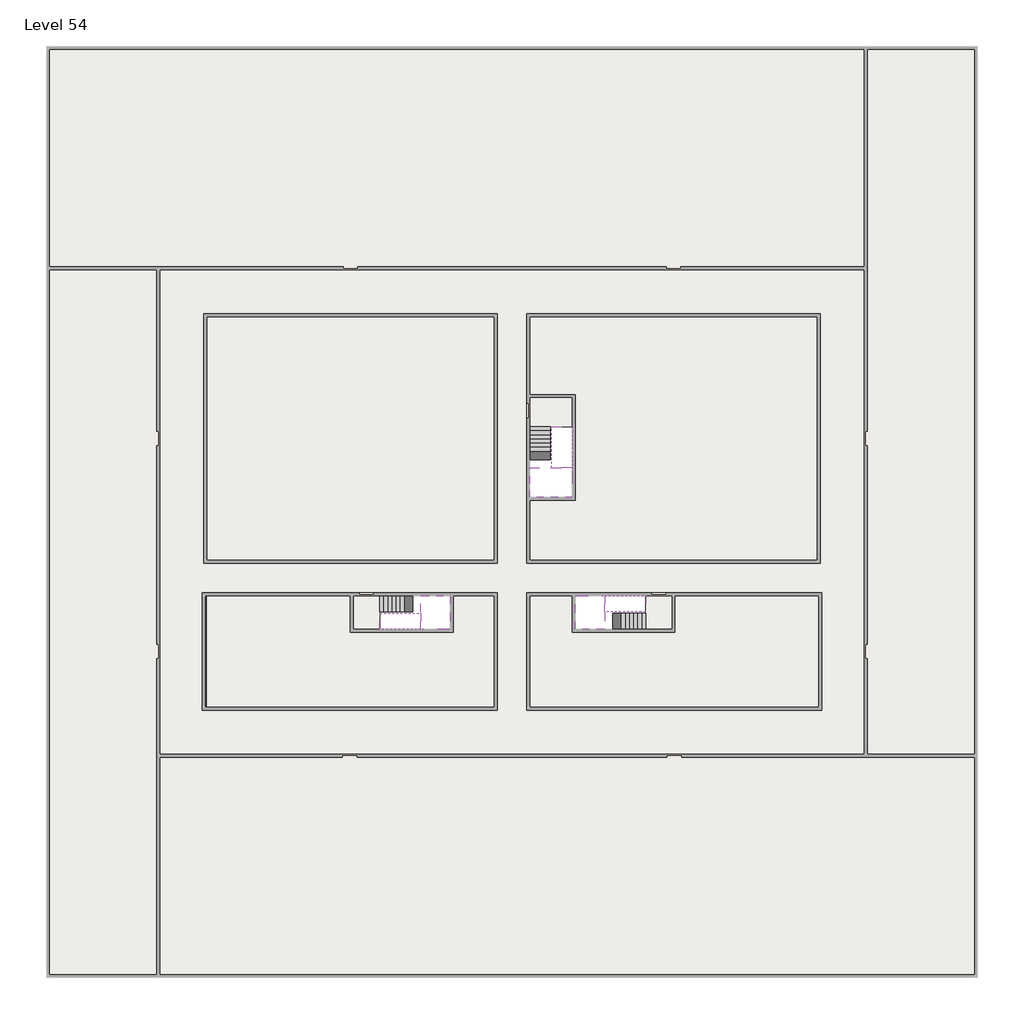
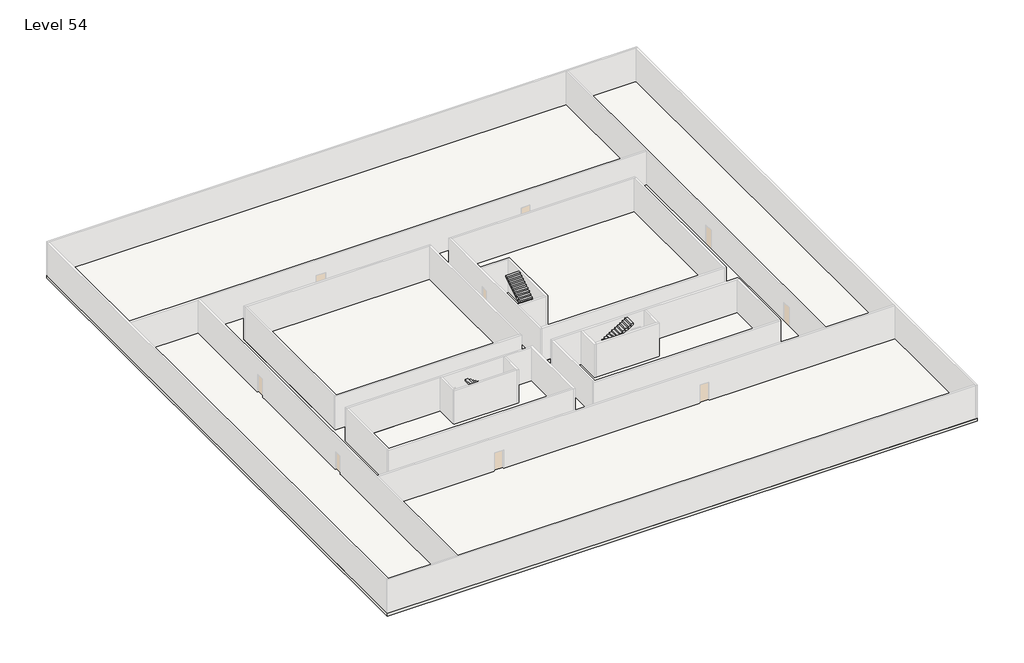
# One storey, part 2 of 2: 6 slabs, 6 stair flights.
"""IFC4 building model written with IfcOpenShell, lengths in millimetres."""

from ifc_helpers import new_model, si_unit, frame, origin, place, context, project, spatial, polyline, outline, extrude, faceted_brep, element, save

model = new_model("IFC4")

# Units and contexts
model_context = context("Model", 3, world=origin())
ifc_project = project(units=[si_unit("LENGTHUNIT", "METRE", prefix="MILLI")], contexts=[model_context])

# Site, building, storey
site = spatial("IfcSite", under=ifc_project)
building = spatial("IfcBuilding", under=site)
storey = spatial("IfcBuildingStorey", under=building, Name="Level 54", Elevation=201400.0)

# Slabs
placement = place(None, origin())
element("IfcSlab", 1, at=placement, inside=storey, context=model_context, shape_type="SweptSolid", body=[
    extrude(outline(polyline([(55890.1058784, -5518.09644), (55890.1058784, -68918.09644), (-7509.8941216, -68918.09644), (-7509.8941216, -5518.09644), (55890.1058784, -5518.09644)]), holes=[polyline([(23190.1058784, -23718.09644), (3190.1058784, -23718.09644), (3190.1058784, -40718.09644), (23190.1058784, -40718.09644), (23190.1058784, -23718.09644)]), polyline([(45190.1058784, -23718.09644), (25190.1058784, -23718.09644), (25190.1058784, -40718.09644), (45190.1058784, -40718.09644), (45190.1058784, -23718.09644)]), polyline([(23190.1058784, -50718.09644), (23190.1058784, -42718.09644), (3390.1058784, -42718.09644), (3390.1058784, -50718.09644), (23190.1058784, -50718.09644)]), polyline([(25190.1058784, -50718.09644), (45190.1058784, -50718.09644), (45190.1058784, -42718.09644), (25190.1058784, -42718.09644), (25190.1058784, -50718.09644)])]), frame((0.0, 0.0, 201100.0), z_axis=(0.0, 0.0, 1.0), x_axis=(1.0, 0.0, 0.0)), (0.0, 0.0, 1.0), 300.0),
])
element("IfcSlab", 2, at=placement, inside=storey, context=model_context, shape_type="Brep", body=[
    faceted_brep([(26790.1058784, -34218.09644, 203300.0), (25390.1058784, -34218.09644, 203300.0), (25390.1058784, -34297.4828763, 203300.0), (25390.1058784, -36218.09644, 203300.0), (28290.1058784, -36218.09644, 203300.0), (28290.1058784, -34418.7100038, 203300.0), (28290.1058784, -34218.09644, 203300.0), (26890.1058784, -34218.09644, 203300.0), (26790.1058784, -34218.09644, 203000.0), (26790.1058784, -34218.09644, 202951.0278478), (25390.1058784, -34218.09644, 202951.0278478), (25390.1058784, -34218.09644, 203127.2727273), (25390.1058784, -34297.4828763, 203000.0), (25390.1058784, -36218.09644, 203000.0), (28290.1058784, -36218.09644, 203000.0), (28290.1058784, -34418.7100038, 203000.0), (28290.1058784, -34218.09644, 203123.7551205), (26890.1058784, -34218.09644, 203123.7551205), (26890.1058784, -34218.09644, 203000.0), (26890.1058784, -34418.7100038, 203000.0), (26790.1058784, -34297.4828763, 203000.0)], [[[0, 1, 2, 3, 4, 5, 6, 7]], [[1, 0, 8, 9, 10, 11]], [[1, 11, 10, 12, 13, 3, 2]], [[4, 3, 13, 14]], [[4, 14, 15, 16, 6, 5]], [[7, 6, 16, 17]], [[0, 7, 17, 18, 8]], [[18, 19, 15, 14, 13, 12, 20, 8]], [[19, 18, 17]], [[20, 12, 10, 9]], [[8, 20, 9]], [[15, 19, 17, 16]]]),
])
element("IfcSlab", 3, at=placement, inside=storey, context=model_context, shape_type="SweptSolid", body=[
    extrude(outline(polyline([(22990.1058784, -23918.09644), (22990.1058784, -40518.09644), (3390.1058784, -40518.09644), (3390.1058784, -23918.09644), (22990.1058784, -23918.09644)])), frame((0.0, 0.0, 201100.0), z_axis=(0.0, 0.0, 1.0), x_axis=(1.0, 0.0, 0.0)), (0.0, 0.0, 1.0), 300.0),
    extrude(outline(polyline([(44990.1058784, -23918.09644), (44990.1058784, -40518.09644), (25390.1058784, -40518.09644), (25390.1058784, -36418.09644), (28490.1058784, -36418.09644), (28490.1058784, -29218.09644), (25390.1058784, -29218.09644), (25390.1058784, -23918.09644), (44990.1058784, -23918.09644)])), frame((0.0, 0.0, 201100.0), z_axis=(0.0, 0.0, 1.0), x_axis=(1.0, 0.0, 0.0)), (0.0, 0.0, 1.0), 300.0),
    extrude(outline(polyline([(22990.1058784, -42918.09644), (22990.1058784, -50518.09644), (3390.1058784, -50518.09644), (3390.1058784, -42918.09644), (13190.1058784, -42918.09644), (13190.1058784, -45418.09644), (20190.1058784, -45418.09644), (20190.1058784, -42918.09644), (22990.1058784, -42918.09644)])), frame((0.0, 0.0, 201100.0), z_axis=(0.0, 0.0, 1.0), x_axis=(1.0, 0.0, 0.0)), (0.0, 0.0, 1.0), 300.0),
    extrude(outline(polyline([(28290.1058784, -42918.09644), (28290.1058784, -45418.09644), (35290.1058784, -45418.09644), (35290.1058784, -42918.09644), (45090.1058784, -42918.09644), (45090.1058784, -50518.09644), (25390.1058784, -50518.09644), (25390.1058784, -42918.09644), (28290.1058784, -42918.09644)])), frame((0.0, 0.0, 201100.0), z_axis=(0.0, 0.0, 1.0), x_axis=(1.0, 0.0, 0.0)), (0.0, 0.0, 1.0), 300.0),
])
element("IfcSlab", 4, at=placement, inside=storey, context=model_context, shape_type="Brep", body=[
    faceted_brep([(30490.1058784, -45218.09644, 203300.0), (30490.1058784, -44118.09644, 203300.0), (30490.1058784, -44018.09644, 203300.0), (30490.1058784, -42918.09644, 203300.0), (30289.4923146, -42918.09644, 203300.0), (28490.1058784, -42918.09644, 203300.0), (28490.1058784, -45218.09644, 203300.0), (30410.7194421, -45218.09644, 203300.0), (30490.1058784, -45218.09644, 203127.2727273), (30490.1058784, -45218.09644, 202951.0278478), (30490.1058784, -44118.09644, 202951.0278478), (30490.1058784, -44118.09644, 203000.0), (30490.1058784, -44018.09644, 203000.0), (30490.1058784, -44018.09644, 203123.7551205), (30490.1058784, -42918.09644, 203123.7551205), (30289.4923146, -42918.09644, 203000.0), (28490.1058784, -42918.09644, 203000.0), (28490.1058784, -45218.09644, 203000.0), (30410.7194421, -45218.09644, 203000.0), (30289.4923146, -44018.09644, 203000.0), (30410.7194421, -44118.09644, 203000.0)], [[[0, 1, 2, 3, 4, 5, 6, 7]], [[1, 0, 8, 9, 10, 11]], [[2, 1, 11, 12, 13]], [[3, 2, 13, 14]], [[3, 14, 15, 16, 5, 4]], [[6, 5, 16, 17]], [[9, 8, 0, 7, 6, 17, 18]], [[19, 12, 11, 20, 18, 17, 16, 15]], [[12, 19, 13]], [[18, 20, 10, 9]], [[20, 11, 10]], [[19, 15, 14, 13]]]),
])
element("IfcSlab", 5, at=placement, inside=storey, context=model_context, shape_type="Brep", body=[
    faceted_brep([(17990.1058784, -42918.09644, 203300.0), (17990.1058784, -44018.09644, 203300.0), (17990.1058784, -44118.09644, 203300.0), (17990.1058784, -45218.09644, 203300.0), (18190.7194421, -45218.09644, 203300.0), (19990.1058784, -45218.09644, 203300.0), (19990.1058784, -42918.09644, 203300.0), (18069.4923146, -42918.09644, 203300.0), (17990.1058784, -42918.09644, 203127.2727273), (17990.1058784, -42918.09644, 202951.0278478), (17990.1058784, -44018.09644, 202951.0278478), (17990.1058784, -44018.09644, 203000.0), (17990.1058784, -44118.09644, 203000.0), (17990.1058784, -44118.09644, 203123.7551205), (17990.1058784, -45218.09644, 203123.7551205), (18190.7194421, -45218.09644, 203000.0), (19990.1058784, -45218.09644, 203000.0), (19990.1058784, -42918.09644, 203000.0), (18069.4923146, -42918.09644, 203000.0), (18190.7194421, -44118.09644, 203000.0), (18069.4923146, -44018.09644, 203000.0)], [[[0, 1, 2, 3, 4, 5, 6, 7]], [[1, 0, 8, 9, 10, 11]], [[2, 1, 11, 12, 13]], [[3, 2, 13, 14]], [[3, 14, 15, 16, 5, 4]], [[6, 5, 16, 17]], [[9, 8, 0, 7, 6, 17, 18]], [[19, 12, 11, 20, 18, 17, 16, 15]], [[12, 19, 13]], [[18, 20, 10, 9]], [[20, 11, 10]], [[19, 15, 14, 13]]]),
])
element("IfcSlab", 6, at=placement, inside=storey, context=model_context, shape_type="SweptSolid", body=[
    extrude(outline(polyline([(25190.1058784, -29418.09644), (28290.1058784, -29418.09644), (28290.1058784, -31418.09644), (25190.1058784, -31418.09644), (25190.1058784, -29418.09644)])), frame((0.0, 0.0, 201100.0), z_axis=(0.0, 0.0, 1.0), x_axis=(1.0, 0.0, 0.0)), (0.0, 0.0, 1.0), 300.0),
    extrude(outline(polyline([(15190.1058784, -45218.09644), (13390.1058784, -45218.09644), (13390.1058784, -42718.09644), (15190.1058784, -42718.09644), (15190.1058784, -45218.09644)])), frame((0.0, 0.0, 201100.0), z_axis=(0.0, 0.0, 1.0), x_axis=(1.0, 0.0, 0.0)), (0.0, 0.0, 1.0), 300.0),
    extrude(outline(polyline([(35090.1058784, -45218.09644), (33290.1058784, -45218.09644), (33290.1058784, -42718.09644), (35090.1058784, -42718.09644), (35090.1058784, -45218.09644)])), frame((0.0, 0.0, 201100.0), z_axis=(0.0, 0.0, 1.0), x_axis=(1.0, 0.0, 0.0)), (0.0, 0.0, 1.0), 300.0),
])

# Stair flights
element("IfcStairFlight", 7, at=placement, inside=storey, context=model_context, shape_type="Brep", body=[
    faceted_brep([(26790.1058784, -31698.09644, 201572.7272727), (26790.1058784, -31418.09644, 201572.7272727), (25390.1058784, -31418.09644, 201572.7272727), (25390.1058784, -31698.09644, 201572.7272727), (26790.1058784, -31698.09644, 201400.0), (26790.1058784, -31418.09644, 201400.0), (25390.1058784, -31418.09644, 201400.0), (25390.1058784, -31698.09644, 201400.0), (26790.1058784, -31978.09644, 201745.4545455), (26790.1058784, -31698.09644, 201745.4545455), (25390.1058784, -31698.09644, 201745.4545455), (25390.1058784, -31978.09644, 201745.4545455), (26790.1058784, -31978.09644, 201569.209666), (26790.1058784, -31703.7986657, 201400.0), (25390.1058784, -31703.7986657, 201400.0), (25390.1058784, -31978.09644, 201569.209666), (26790.1058784, -32258.09644, 201918.1818182), (26790.1058784, -31978.09644, 201918.1818182), (25390.1058784, -31978.09644, 201918.1818182), (25390.1058784, -32258.09644, 201918.1818182), (26790.1058784, -32258.09644, 201741.9369387), (25390.1058784, -32258.09644, 201741.9369387), (26790.1058784, -32538.09644, 202090.9090909), (26790.1058784, -32258.09644, 202090.9090909), (25390.1058784, -32258.09644, 202090.9090909), (25390.1058784, -32538.09644, 202090.9090909), (26790.1058784, -32538.09644, 201914.6642114), (25390.1058784, -32538.09644, 201914.6642114), (26790.1058784, -32818.09644, 202263.6363636), (26790.1058784, -32538.09644, 202263.6363636), (25390.1058784, -32538.09644, 202263.6363636), (25390.1058784, -32818.09644, 202263.6363636), (26790.1058784, -32818.09644, 202087.3914841), (25390.1058784, -32818.09644, 202087.3914841), (26790.1058784, -33098.09644, 202436.3636364), (26790.1058784, -32818.09644, 202436.3636364), (25390.1058784, -32818.09644, 202436.3636364), (25390.1058784, -33098.09644, 202436.3636364), (26790.1058784, -33098.09644, 202260.1187569), (25390.1058784, -33098.09644, 202260.1187569), (26790.1058784, -33378.09644, 202609.0909091), (26790.1058784, -33098.09644, 202609.0909091), (25390.1058784, -33098.09644, 202609.0909091), (25390.1058784, -33378.09644, 202609.0909091), (26790.1058784, -33378.09644, 202432.8460296), (25390.1058784, -33378.09644, 202432.8460296), (26790.1058784, -33658.09644, 202781.8181818), (26790.1058784, -33378.09644, 202781.8181818), (25390.1058784, -33378.09644, 202781.8181818), (25390.1058784, -33658.09644, 202781.8181818), (26790.1058784, -33658.09644, 202605.5733023), (25390.1058784, -33658.09644, 202605.5733023), (26790.1058784, -33938.09644, 202954.5454545), (26790.1058784, -33658.09644, 202954.5454545), (25390.1058784, -33658.09644, 202954.5454545), (25390.1058784, -33938.09644, 202954.5454545), (26790.1058784, -33938.09644, 202778.3005751), (25390.1058784, -33938.09644, 202778.3005751), (26790.1058784, -34218.09644, 203127.2727273), (26790.1058784, -33938.09644, 203127.2727273), (25390.1058784, -33938.09644, 203127.2727273), (25390.1058784, -34218.09644, 203127.2727273), (26790.1058784, -34218.09644, 203000.0), (26790.1058784, -34218.09644, 202951.0278478), (25390.1058784, -34218.09644, 202951.0278478)], [[[0, 1, 2, 3]], [[1, 0, 4, 5]], [[2, 1, 5, 6]], [[3, 2, 6, 7]], [[8, 9, 10, 11]], [[4, 0, 9, 8, 12, 13]], [[0, 3, 10, 9]], [[3, 7, 14, 15, 11, 10]], [[16, 17, 18, 19]], [[17, 16, 20, 12, 8]], [[8, 11, 18, 17]], [[19, 18, 11, 15, 21]], [[22, 23, 24, 25]], [[23, 22, 26, 20, 16]], [[16, 19, 24, 23]], [[25, 24, 19, 21, 27]], [[28, 29, 30, 31]], [[29, 28, 32, 26, 22]], [[22, 25, 30, 29]], [[31, 30, 25, 27, 33]], [[34, 35, 36, 37]], [[35, 34, 38, 32, 28]], [[28, 31, 36, 35]], [[37, 36, 31, 33, 39]], [[40, 41, 42, 43]], [[41, 40, 44, 38, 34]], [[34, 37, 42, 41]], [[43, 42, 37, 39, 45]], [[46, 47, 48, 49]], [[47, 46, 50, 44, 40]], [[40, 43, 48, 47]], [[49, 48, 43, 45, 51]], [[52, 53, 54, 55]], [[53, 52, 56, 50, 46]], [[46, 49, 54, 53]], [[55, 54, 49, 51, 57]], [[58, 59, 60, 61]], [[59, 58, 62, 63, 56, 52]], [[52, 55, 60, 59]], [[61, 60, 55, 57, 64]], [[58, 61, 64, 63, 62]], [[5, 4, 13, 14, 7, 6]], [[14, 13, 12, 20, 26, 32, 38, 44, 50, 56, 63, 64, 57, 51, 45, 39, 33, 27, 21, 15]]]),
])
element("IfcStairFlight", 8, at=placement, inside=storey, context=model_context, shape_type="Brep", body=[
    faceted_brep([(26890.1058784, -33938.09644, 203472.7272727), (26890.1058784, -34218.09644, 203472.7272727), (28290.1058784, -34218.09644, 203472.7272727), (28290.1058784, -33938.09644, 203472.7272727), (26890.1058784, -33938.09644, 203296.4823932), (26890.1058784, -34218.09644, 203123.7551205), (28290.1058784, -34218.09644, 203123.7551205), (28290.1058784, -34218.09644, 203300.0), (28290.1058784, -33938.09644, 203296.4823932), (26890.1058784, -33658.09644, 203645.4545455), (26890.1058784, -33938.09644, 203645.4545455), (28290.1058784, -33938.09644, 203645.4545455), (28290.1058784, -33658.09644, 203645.4545455), (26890.1058784, -33658.09644, 203469.209666), (28290.1058784, -33658.09644, 203469.209666), (26890.1058784, -33378.09644, 203818.1818182), (26890.1058784, -33658.09644, 203818.1818182), (28290.1058784, -33658.09644, 203818.1818182), (28290.1058784, -33378.09644, 203818.1818182), (26890.1058784, -33378.09644, 203641.9369387), (28290.1058784, -33378.09644, 203641.9369387), (26890.1058784, -33098.09644, 203990.9090909), (26890.1058784, -33378.09644, 203990.9090909), (28290.1058784, -33378.09644, 203990.9090909), (28290.1058784, -33098.09644, 203990.9090909), (26890.1058784, -33098.09644, 203814.6642114), (28290.1058784, -33098.09644, 203814.6642114), (26890.1058784, -32818.09644, 204163.6363636), (26890.1058784, -33098.09644, 204163.6363636), (28290.1058784, -33098.09644, 204163.6363636), (28290.1058784, -32818.09644, 204163.6363636), (26890.1058784, -32818.09644, 203987.3914841), (28290.1058784, -32818.09644, 203987.3914841), (26890.1058784, -32538.09644, 204336.3636364), (26890.1058784, -32818.09644, 204336.3636364), (28290.1058784, -32818.09644, 204336.3636364), (28290.1058784, -32538.09644, 204336.3636364), (26890.1058784, -32538.09644, 204160.1187569), (28290.1058784, -32538.09644, 204160.1187569), (26890.1058784, -32258.09644, 204509.0909091), (26890.1058784, -32538.09644, 204509.0909091), (28290.1058784, -32538.09644, 204509.0909091), (28290.1058784, -32258.09644, 204509.0909091), (26890.1058784, -32258.09644, 204332.8460296), (28290.1058784, -32258.09644, 204332.8460296), (26890.1058784, -31978.09644, 204681.8181818), (26890.1058784, -32258.09644, 204681.8181818), (28290.1058784, -32258.09644, 204681.8181818), (28290.1058784, -31978.09644, 204681.8181818), (26890.1058784, -31978.09644, 204505.5733023), (28290.1058784, -31978.09644, 204505.5733023), (26890.1058784, -31698.09644, 204854.5454545), (26890.1058784, -31978.09644, 204854.5454545), (28290.1058784, -31978.09644, 204854.5454545), (28290.1058784, -31698.09644, 204854.5454545), (26890.1058784, -31698.09644, 204678.3005751), (28290.1058784, -31698.09644, 204678.3005751), (26890.1058784, -31418.09644, 205027.2727273), (26890.1058784, -31698.09644, 205027.2727273), (28290.1058784, -31698.09644, 205027.2727273), (28290.1058784, -31418.09644, 205027.2727273), (26890.1058784, -31418.09644, 204851.0278478), (28290.1058784, -31418.09644, 204851.0278478)], [[[0, 1, 2, 3]], [[1, 0, 4, 5]], [[2, 1, 5, 6, 7]], [[3, 2, 7, 6, 8]], [[9, 10, 11, 12]], [[10, 9, 13, 4, 0]], [[11, 10, 0, 3]], [[12, 11, 3, 8, 14]], [[15, 16, 17, 18]], [[16, 15, 19, 13, 9]], [[17, 16, 9, 12]], [[18, 17, 12, 14, 20]], [[21, 22, 23, 24]], [[22, 21, 25, 19, 15]], [[23, 22, 15, 18]], [[24, 23, 18, 20, 26]], [[27, 28, 29, 30]], [[28, 27, 31, 25, 21]], [[29, 28, 21, 24]], [[30, 29, 24, 26, 32]], [[33, 34, 35, 36]], [[34, 33, 37, 31, 27]], [[35, 34, 27, 30]], [[36, 35, 30, 32, 38]], [[39, 40, 41, 42]], [[40, 39, 43, 37, 33]], [[41, 40, 33, 36]], [[42, 41, 36, 38, 44]], [[45, 46, 47, 48]], [[46, 45, 49, 43, 39]], [[47, 46, 39, 42]], [[48, 47, 42, 44, 50]], [[51, 52, 53, 54]], [[52, 51, 55, 49, 45]], [[53, 52, 45, 48]], [[54, 53, 48, 50, 56]], [[57, 58, 59, 60]], [[58, 57, 61, 55, 51]], [[59, 58, 51, 54]], [[60, 59, 54, 56, 62]], [[57, 60, 62, 61]], [[5, 4, 13, 19, 25, 31, 37, 43, 49, 55, 61, 62, 56, 50, 44, 38, 32, 26, 20, 14, 8, 6]]]),
])
element("IfcStairFlight", 9, at=placement, inside=storey, context=model_context, shape_type="Brep", body=[
    faceted_brep([(33010.1058784, -45218.09644, 201572.7272727), (33290.1058784, -45218.09644, 201572.7272727), (33290.1058784, -44118.09644, 201572.7272727), (33010.1058784, -44118.09644, 201572.7272727), (33010.1058784, -45218.09644, 201400.0), (33290.1058784, -45218.09644, 201400.0), (33290.1058784, -44118.09644, 201400.0), (33010.1058784, -44118.09644, 201400.0), (32730.1058784, -45218.09644, 201745.4545455), (33010.1058784, -45218.09644, 201745.4545455), (33010.1058784, -44118.09644, 201745.4545455), (32730.1058784, -44118.09644, 201745.4545455), (32730.1058784, -45218.09644, 201569.209666), (33004.4036527, -45218.09644, 201400.0), (33004.4036527, -44118.09644, 201400.0), (32730.1058784, -44118.09644, 201569.209666), (32450.1058784, -45218.09644, 201918.1818182), (32730.1058784, -45218.09644, 201918.1818182), (32730.1058784, -44118.09644, 201918.1818182), (32450.1058784, -44118.09644, 201918.1818182), (32450.1058784, -45218.09644, 201741.9369387), (32450.1058784, -44118.09644, 201741.9369387), (32170.1058784, -45218.09644, 202090.9090909), (32450.1058784, -45218.09644, 202090.9090909), (32450.1058784, -44118.09644, 202090.9090909), (32170.1058784, -44118.09644, 202090.9090909), (32170.1058784, -45218.09644, 201914.6642114), (32170.1058784, -44118.09644, 201914.6642114), (31890.1058784, -45218.09644, 202263.6363636), (32170.1058784, -45218.09644, 202263.6363636), (32170.1058784, -44118.09644, 202263.6363636), (31890.1058784, -44118.09644, 202263.6363636), (31890.1058784, -45218.09644, 202087.3914841), (31890.1058784, -44118.09644, 202087.3914841), (31610.1058784, -45218.09644, 202436.3636364), (31890.1058784, -45218.09644, 202436.3636364), (31890.1058784, -44118.09644, 202436.3636364), (31610.1058784, -44118.09644, 202436.3636364), (31610.1058784, -45218.09644, 202260.1187569), (31610.1058784, -44118.09644, 202260.1187569), (31330.1058784, -45218.09644, 202609.0909091), (31610.1058784, -45218.09644, 202609.0909091), (31610.1058784, -44118.09644, 202609.0909091), (31330.1058784, -44118.09644, 202609.0909091), (31330.1058784, -45218.09644, 202432.8460296), (31330.1058784, -44118.09644, 202432.8460296), (31050.1058784, -45218.09644, 202781.8181818), (31330.1058784, -45218.09644, 202781.8181818), (31330.1058784, -44118.09644, 202781.8181818), (31050.1058784, -44118.09644, 202781.8181818), (31050.1058784, -45218.09644, 202605.5733023), (31050.1058784, -44118.09644, 202605.5733023), (30770.1058784, -45218.09644, 202954.5454545), (31050.1058784, -45218.09644, 202954.5454545), (31050.1058784, -44118.09644, 202954.5454545), (30770.1058784, -44118.09644, 202954.5454545), (30770.1058784, -45218.09644, 202778.3005751), (30770.1058784, -44118.09644, 202778.3005751), (30490.1058784, -45218.09644, 203127.2727273), (30770.1058784, -45218.09644, 203127.2727273), (30770.1058784, -44118.09644, 203127.2727273), (30490.1058784, -44118.09644, 203127.2727273), (30490.1058784, -45218.09644, 202951.0278478), (30490.1058784, -44118.09644, 202951.0278478), (30490.1058784, -44118.09644, 203000.0)], [[[0, 1, 2, 3]], [[1, 0, 4, 5]], [[2, 1, 5, 6]], [[3, 2, 6, 7]], [[8, 9, 10, 11]], [[4, 0, 9, 8, 12, 13]], [[0, 3, 10, 9]], [[3, 7, 14, 15, 11, 10]], [[16, 17, 18, 19]], [[17, 16, 20, 12, 8]], [[8, 11, 18, 17]], [[19, 18, 11, 15, 21]], [[22, 23, 24, 25]], [[23, 22, 26, 20, 16]], [[16, 19, 24, 23]], [[25, 24, 19, 21, 27]], [[28, 29, 30, 31]], [[29, 28, 32, 26, 22]], [[22, 25, 30, 29]], [[31, 30, 25, 27, 33]], [[34, 35, 36, 37]], [[35, 34, 38, 32, 28]], [[28, 31, 36, 35]], [[37, 36, 31, 33, 39]], [[40, 41, 42, 43]], [[41, 40, 44, 38, 34]], [[34, 37, 42, 41]], [[43, 42, 37, 39, 45]], [[46, 47, 48, 49]], [[47, 46, 50, 44, 40]], [[40, 43, 48, 47]], [[49, 48, 43, 45, 51]], [[52, 53, 54, 55]], [[53, 52, 56, 50, 46]], [[46, 49, 54, 53]], [[55, 54, 49, 51, 57]], [[58, 59, 60, 61]], [[59, 58, 62, 56, 52]], [[52, 55, 60, 59]], [[61, 60, 55, 57, 63, 64]], [[58, 61, 64, 63, 62]], [[5, 4, 13, 14, 7, 6]], [[14, 13, 12, 20, 26, 32, 38, 44, 50, 56, 62, 63, 57, 51, 45, 39, 33, 27, 21, 15]]]),
])
element("IfcStairFlight", 10, at=placement, inside=storey, context=model_context, shape_type="Brep", body=[
    faceted_brep([(30770.1058784, -42918.09644, 203472.7272727), (30490.1058784, -42918.09644, 203472.7272727), (30490.1058784, -44018.09644, 203472.7272727), (30770.1058784, -44018.09644, 203472.7272727), (30770.1058784, -42918.09644, 203296.4823932), (30490.1058784, -42918.09644, 203123.7551205), (30490.1058784, -42918.09644, 203300.0), (30490.1058784, -44018.09644, 203123.7551205), (30770.1058784, -44018.09644, 203296.4823932), (31050.1058784, -42918.09644, 203645.4545455), (30770.1058784, -42918.09644, 203645.4545455), (30770.1058784, -44018.09644, 203645.4545455), (31050.1058784, -44018.09644, 203645.4545455), (31050.1058784, -42918.09644, 203469.209666), (31050.1058784, -44018.09644, 203469.209666), (31330.1058784, -42918.09644, 203818.1818182), (31050.1058784, -42918.09644, 203818.1818182), (31050.1058784, -44018.09644, 203818.1818182), (31330.1058784, -44018.09644, 203818.1818182), (31330.1058784, -42918.09644, 203641.9369387), (31330.1058784, -44018.09644, 203641.9369387), (31610.1058784, -42918.09644, 203990.9090909), (31330.1058784, -42918.09644, 203990.9090909), (31330.1058784, -44018.09644, 203990.9090909), (31610.1058784, -44018.09644, 203990.9090909), (31610.1058784, -42918.09644, 203814.6642114), (31610.1058784, -44018.09644, 203814.6642114), (31890.1058784, -42918.09644, 204163.6363636), (31610.1058784, -42918.09644, 204163.6363636), (31610.1058784, -44018.09644, 204163.6363636), (31890.1058784, -44018.09644, 204163.6363636), (31890.1058784, -42918.09644, 203987.3914841), (31890.1058784, -44018.09644, 203987.3914841), (32170.1058784, -42918.09644, 204336.3636364), (31890.1058784, -42918.09644, 204336.3636364), (31890.1058784, -44018.09644, 204336.3636364), (32170.1058784, -44018.09644, 204336.3636364), (32170.1058784, -42918.09644, 204160.1187569), (32170.1058784, -44018.09644, 204160.1187569), (32450.1058784, -42918.09644, 204509.0909091), (32170.1058784, -42918.09644, 204509.0909091), (32170.1058784, -44018.09644, 204509.0909091), (32450.1058784, -44018.09644, 204509.0909091), (32450.1058784, -42918.09644, 204332.8460296), (32450.1058784, -44018.09644, 204332.8460296), (32730.1058784, -42918.09644, 204681.8181818), (32450.1058784, -42918.09644, 204681.8181818), (32450.1058784, -44018.09644, 204681.8181818), (32730.1058784, -44018.09644, 204681.8181818), (32730.1058784, -42918.09644, 204505.5733023), (32730.1058784, -44018.09644, 204505.5733023), (33010.1058784, -42918.09644, 204854.5454545), (32730.1058784, -42918.09644, 204854.5454545), (32730.1058784, -44018.09644, 204854.5454545), (33010.1058784, -44018.09644, 204854.5454545), (33010.1058784, -42918.09644, 204678.3005751), (33010.1058784, -44018.09644, 204678.3005751), (33290.1058784, -42918.09644, 205027.2727273), (33010.1058784, -42918.09644, 205027.2727273), (33010.1058784, -44018.09644, 205027.2727273), (33290.1058784, -44018.09644, 205027.2727273), (33290.1058784, -42918.09644, 204851.0278478), (33290.1058784, -44018.09644, 204851.0278478)], [[[0, 1, 2, 3]], [[1, 0, 4, 5, 6]], [[2, 1, 6, 5, 7]], [[3, 2, 7, 8]], [[9, 10, 11, 12]], [[10, 9, 13, 4, 0]], [[11, 10, 0, 3]], [[12, 11, 3, 8, 14]], [[15, 16, 17, 18]], [[16, 15, 19, 13, 9]], [[17, 16, 9, 12]], [[18, 17, 12, 14, 20]], [[21, 22, 23, 24]], [[22, 21, 25, 19, 15]], [[23, 22, 15, 18]], [[24, 23, 18, 20, 26]], [[27, 28, 29, 30]], [[28, 27, 31, 25, 21]], [[29, 28, 21, 24]], [[30, 29, 24, 26, 32]], [[33, 34, 35, 36]], [[34, 33, 37, 31, 27]], [[35, 34, 27, 30]], [[36, 35, 30, 32, 38]], [[39, 40, 41, 42]], [[40, 39, 43, 37, 33]], [[41, 40, 33, 36]], [[42, 41, 36, 38, 44]], [[45, 46, 47, 48]], [[46, 45, 49, 43, 39]], [[47, 46, 39, 42]], [[48, 47, 42, 44, 50]], [[51, 52, 53, 54]], [[52, 51, 55, 49, 45]], [[53, 52, 45, 48]], [[54, 53, 48, 50, 56]], [[57, 58, 59, 60]], [[58, 57, 61, 55, 51]], [[59, 58, 51, 54]], [[60, 59, 54, 56, 62]], [[57, 60, 62, 61]], [[5, 4, 13, 19, 25, 31, 37, 43, 49, 55, 61, 62, 56, 50, 44, 38, 32, 26, 20, 14, 8, 7]]]),
])
element("IfcStairFlight", 11, at=placement, inside=storey, context=model_context, shape_type="Brep", body=[
    faceted_brep([(15470.1058784, -42918.09644, 201572.7272727), (15190.1058784, -42918.09644, 201572.7272727), (15190.1058784, -44018.09644, 201572.7272727), (15470.1058784, -44018.09644, 201572.7272727), (15470.1058784, -42918.09644, 201400.0), (15190.1058784, -42918.09644, 201400.0), (15190.1058784, -44018.09644, 201400.0), (15470.1058784, -44018.09644, 201400.0), (15750.1058784, -42918.09644, 201745.4545455), (15470.1058784, -42918.09644, 201745.4545455), (15470.1058784, -44018.09644, 201745.4545455), (15750.1058784, -44018.09644, 201745.4545455), (15750.1058784, -42918.09644, 201569.209666), (15475.8081041, -42918.09644, 201400.0), (15475.8081041, -44018.09644, 201400.0), (15750.1058784, -44018.09644, 201569.209666), (16030.1058784, -42918.09644, 201918.1818182), (15750.1058784, -42918.09644, 201918.1818182), (15750.1058784, -44018.09644, 201918.1818182), (16030.1058784, -44018.09644, 201918.1818182), (16030.1058784, -42918.09644, 201741.9369387), (16030.1058784, -44018.09644, 201741.9369387), (16310.1058784, -42918.09644, 202090.9090909), (16030.1058784, -42918.09644, 202090.9090909), (16030.1058784, -44018.09644, 202090.9090909), (16310.1058784, -44018.09644, 202090.9090909), (16310.1058784, -42918.09644, 201914.6642114), (16310.1058784, -44018.09644, 201914.6642114), (16590.1058784, -42918.09644, 202263.6363636), (16310.1058784, -42918.09644, 202263.6363636), (16310.1058784, -44018.09644, 202263.6363636), (16590.1058784, -44018.09644, 202263.6363636), (16590.1058784, -42918.09644, 202087.3914841), (16590.1058784, -44018.09644, 202087.3914841), (16870.1058784, -42918.09644, 202436.3636364), (16590.1058784, -42918.09644, 202436.3636364), (16590.1058784, -44018.09644, 202436.3636364), (16870.1058784, -44018.09644, 202436.3636364), (16870.1058784, -42918.09644, 202260.1187569), (16870.1058784, -44018.09644, 202260.1187569), (17150.1058784, -42918.09644, 202609.0909091), (16870.1058784, -42918.09644, 202609.0909091), (16870.1058784, -44018.09644, 202609.0909091), (17150.1058784, -44018.09644, 202609.0909091), (17150.1058784, -42918.09644, 202432.8460296), (17150.1058784, -44018.09644, 202432.8460296), (17430.1058784, -42918.09644, 202781.8181818), (17150.1058784, -42918.09644, 202781.8181818), (17150.1058784, -44018.09644, 202781.8181818), (17430.1058784, -44018.09644, 202781.8181818), (17430.1058784, -42918.09644, 202605.5733023), (17430.1058784, -44018.09644, 202605.5733023), (17710.1058784, -42918.09644, 202954.5454545), (17430.1058784, -42918.09644, 202954.5454545), (17430.1058784, -44018.09644, 202954.5454545), (17710.1058784, -44018.09644, 202954.5454545), (17710.1058784, -42918.09644, 202778.3005751), (17710.1058784, -44018.09644, 202778.3005751), (17990.1058784, -42918.09644, 203127.2727273), (17710.1058784, -42918.09644, 203127.2727273), (17710.1058784, -44018.09644, 203127.2727273), (17990.1058784, -44018.09644, 203127.2727273), (17990.1058784, -42918.09644, 202951.0278478), (17990.1058784, -44018.09644, 202951.0278478), (17990.1058784, -44018.09644, 203000.0)], [[[0, 1, 2, 3]], [[1, 0, 4, 5]], [[2, 1, 5, 6]], [[3, 2, 6, 7]], [[8, 9, 10, 11]], [[4, 0, 9, 8, 12, 13]], [[0, 3, 10, 9]], [[3, 7, 14, 15, 11, 10]], [[16, 17, 18, 19]], [[17, 16, 20, 12, 8]], [[8, 11, 18, 17]], [[19, 18, 11, 15, 21]], [[22, 23, 24, 25]], [[23, 22, 26, 20, 16]], [[16, 19, 24, 23]], [[25, 24, 19, 21, 27]], [[28, 29, 30, 31]], [[29, 28, 32, 26, 22]], [[22, 25, 30, 29]], [[31, 30, 25, 27, 33]], [[34, 35, 36, 37]], [[35, 34, 38, 32, 28]], [[28, 31, 36, 35]], [[37, 36, 31, 33, 39]], [[40, 41, 42, 43]], [[41, 40, 44, 38, 34]], [[34, 37, 42, 41]], [[43, 42, 37, 39, 45]], [[46, 47, 48, 49]], [[47, 46, 50, 44, 40]], [[40, 43, 48, 47]], [[49, 48, 43, 45, 51]], [[52, 53, 54, 55]], [[53, 52, 56, 50, 46]], [[46, 49, 54, 53]], [[55, 54, 49, 51, 57]], [[58, 59, 60, 61]], [[59, 58, 62, 56, 52]], [[52, 55, 60, 59]], [[61, 60, 55, 57, 63, 64]], [[58, 61, 64, 63, 62]], [[5, 4, 13, 14, 7, 6]], [[14, 13, 12, 20, 26, 32, 38, 44, 50, 56, 62, 63, 57, 51, 45, 39, 33, 27, 21, 15]]]),
])
element("IfcStairFlight", 12, at=placement, inside=storey, context=model_context, shape_type="Brep", body=[
    faceted_brep([(17710.1058784, -45218.09644, 203472.7272727), (17990.1058784, -45218.09644, 203472.7272727), (17990.1058784, -44118.09644, 203472.7272727), (17710.1058784, -44118.09644, 203472.7272727), (17710.1058784, -45218.09644, 203296.4823932), (17990.1058784, -45218.09644, 203123.7551205), (17990.1058784, -45218.09644, 203300.0), (17990.1058784, -44118.09644, 203123.7551205), (17710.1058784, -44118.09644, 203296.4823932), (17430.1058784, -45218.09644, 203645.4545455), (17710.1058784, -45218.09644, 203645.4545455), (17710.1058784, -44118.09644, 203645.4545455), (17430.1058784, -44118.09644, 203645.4545455), (17430.1058784, -45218.09644, 203469.209666), (17430.1058784, -44118.09644, 203469.209666), (17150.1058784, -45218.09644, 203818.1818182), (17430.1058784, -45218.09644, 203818.1818182), (17430.1058784, -44118.09644, 203818.1818182), (17150.1058784, -44118.09644, 203818.1818182), (17150.1058784, -45218.09644, 203641.9369387), (17150.1058784, -44118.09644, 203641.9369387), (16870.1058784, -45218.09644, 203990.9090909), (17150.1058784, -45218.09644, 203990.9090909), (17150.1058784, -44118.09644, 203990.9090909), (16870.1058784, -44118.09644, 203990.9090909), (16870.1058784, -45218.09644, 203814.6642114), (16870.1058784, -44118.09644, 203814.6642114), (16590.1058784, -45218.09644, 204163.6363636), (16870.1058784, -45218.09644, 204163.6363636), (16870.1058784, -44118.09644, 204163.6363636), (16590.1058784, -44118.09644, 204163.6363636), (16590.1058784, -45218.09644, 203987.3914841), (16590.1058784, -44118.09644, 203987.3914841), (16310.1058784, -45218.09644, 204336.3636364), (16590.1058784, -45218.09644, 204336.3636364), (16590.1058784, -44118.09644, 204336.3636364), (16310.1058784, -44118.09644, 204336.3636364), (16310.1058784, -45218.09644, 204160.1187569), (16310.1058784, -44118.09644, 204160.1187569), (16030.1058784, -45218.09644, 204509.0909091), (16310.1058784, -45218.09644, 204509.0909091), (16310.1058784, -44118.09644, 204509.0909091), (16030.1058784, -44118.09644, 204509.0909091), (16030.1058784, -45218.09644, 204332.8460296), (16030.1058784, -44118.09644, 204332.8460296), (15750.1058784, -45218.09644, 204681.8181818), (16030.1058784, -45218.09644, 204681.8181818), (16030.1058784, -44118.09644, 204681.8181818), (15750.1058784, -44118.09644, 204681.8181818), (15750.1058784, -45218.09644, 204505.5733023), (15750.1058784, -44118.09644, 204505.5733023), (15470.1058784, -45218.09644, 204854.5454545), (15750.1058784, -45218.09644, 204854.5454545), (15750.1058784, -44118.09644, 204854.5454545), (15470.1058784, -44118.09644, 204854.5454545), (15470.1058784, -45218.09644, 204678.3005751), (15470.1058784, -44118.09644, 204678.3005751), (15190.1058784, -45218.09644, 205027.2727273), (15470.1058784, -45218.09644, 205027.2727273), (15470.1058784, -44118.09644, 205027.2727273), (15190.1058784, -44118.09644, 205027.2727273), (15190.1058784, -45218.09644, 204851.0278478), (15190.1058784, -44118.09644, 204851.0278478)], [[[0, 1, 2, 3]], [[1, 0, 4, 5, 6]], [[2, 1, 6, 5, 7]], [[3, 2, 7, 8]], [[9, 10, 11, 12]], [[10, 9, 13, 4, 0]], [[11, 10, 0, 3]], [[12, 11, 3, 8, 14]], [[15, 16, 17, 18]], [[16, 15, 19, 13, 9]], [[17, 16, 9, 12]], [[18, 17, 12, 14, 20]], [[21, 22, 23, 24]], [[22, 21, 25, 19, 15]], [[23, 22, 15, 18]], [[24, 23, 18, 20, 26]], [[27, 28, 29, 30]], [[28, 27, 31, 25, 21]], [[29, 28, 21, 24]], [[30, 29, 24, 26, 32]], [[33, 34, 35, 36]], [[34, 33, 37, 31, 27]], [[35, 34, 27, 30]], [[36, 35, 30, 32, 38]], [[39, 40, 41, 42]], [[40, 39, 43, 37, 33]], [[41, 40, 33, 36]], [[42, 41, 36, 38, 44]], [[45, 46, 47, 48]], [[46, 45, 49, 43, 39]], [[47, 46, 39, 42]], [[48, 47, 42, 44, 50]], [[51, 52, 53, 54]], [[52, 51, 55, 49, 45]], [[53, 52, 45, 48]], [[54, 53, 48, 50, 56]], [[57, 58, 59, 60]], [[58, 57, 61, 55, 51]], [[59, 58, 51, 54]], [[60, 59, 54, 56, 62]], [[57, 60, 62, 61]], [[5, 4, 13, 19, 25, 31, 37, 43, 49, 55, 61, 62, 56, 50, 44, 38, 32, 26, 20, 14, 8, 7]]]),
])

save(model, "model.ifc")
